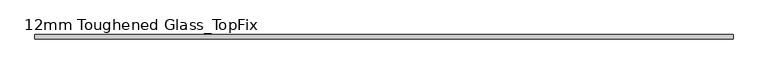
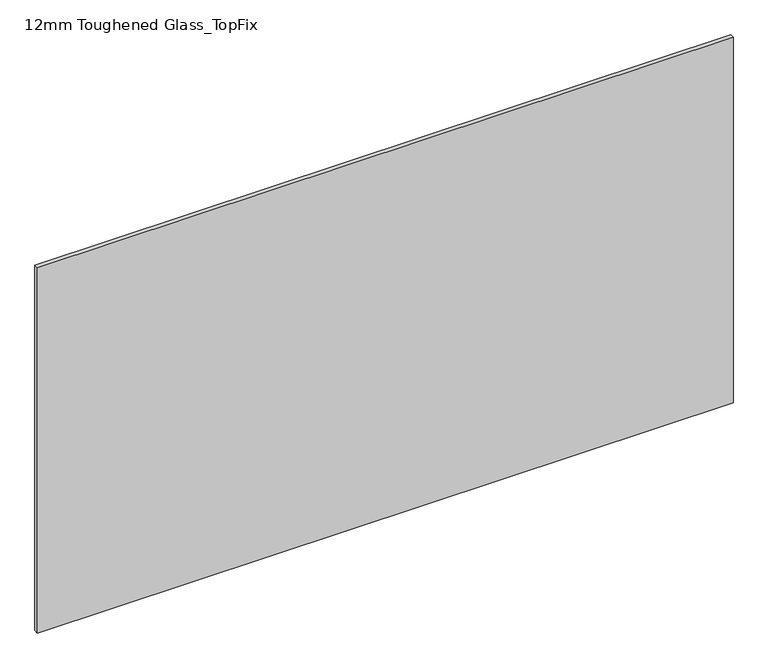
"""IFC4 building model written with IfcOpenShell, lengths in millimetres: plate geometry, 12mm Toughened Glass_TopFix."""

from ifc_helpers import new_model, si_unit, origin, origin_with_axes, place, context, project, spatial, polyline, outline, extrude, source, transform, mapped, element, save


def plate_12mm_toughened_glass_topfix_58d07ea3(model_context):
    return source(origin(), model_context, "Body", "SweptSolid", [
        extrude(outline(polyline([(945.0000001, 6.0), (945.0000001, -6.0), (-945.0000001, -6.0), (-945.0000001, 6.0), (945.0000001, 6.0)])), origin_with_axes(), (0.0, 0.0, 1.0), 1049.0),
    ])


if __name__ == "__main__":
    model = new_model("IFC4")
    model_context = context("Model", 3, world=origin())
    ifc_project = project(units=[si_unit("LENGTHUNIT", "METRE", prefix="MILLI")], contexts=[model_context])
    site = spatial("IfcSite", under=ifc_project)
    building = spatial("IfcBuilding", under=site)
    placement = place(None, origin())
    plate_12mm_toughened_glass_topfix_shape = plate_12mm_toughened_glass_topfix_58d07ea3(model_context)
    element("IfcPlate", 1, ObjectType="12mm Toughened Glass_TopFix", at=placement, inside=building, context=model_context, shape_type="MappedRepresentation", body=[
        mapped(plate_12mm_toughened_glass_topfix_shape, transform((0.0, 0.0, 0.0), x_axis=(1.0, 0.0, 0.0), y_axis=(0.0, 1.0, 0.0), z_axis=(0.0, 0.0, 1.0))),
    ])
    save(model, "model.ifc")
